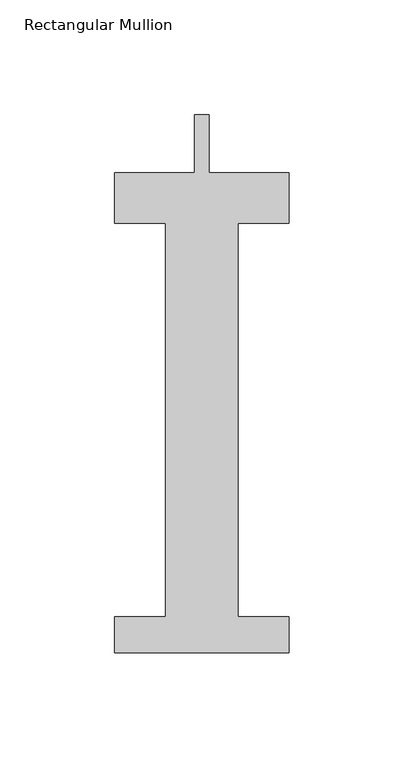
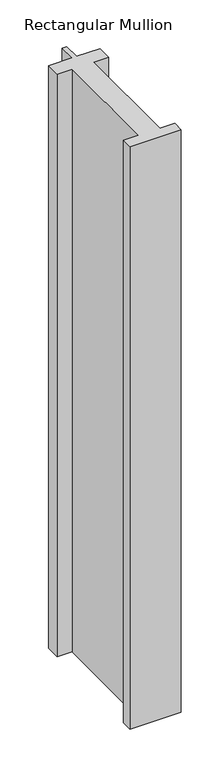
"""IFC4 building model written with IfcOpenShell, lengths in millimetres: member geometry, Rectangular Mullion."""

from ifc_helpers import new_model, si_unit, frame, origin, place, context, project, spatial, polyline, outline, extrude, source, transform, mapped, element, save


def rectangular_mullion_b63e8600(model_context):
    return source(origin(), model_context, "Body", "SweptSolid", [
        extrude(outline(polyline([(38.1, -221.996), (-38.1, -221.996), (-38.1, -206.121), (-15.875, -206.121), (-15.875, -34.671), (-38.1, -34.671), (-38.1, -12.7), (-3.175, -12.7), (-3.175, 12.7), (3.175, 12.7), (3.175, -12.7), (38.1, -12.7), (38.1, -34.671), (15.875, -34.671), (15.875, -206.121), (38.1, -206.121), (38.1, -221.996)])), frame((0.0, 0.0, -914.4), z_axis=(0.0, 0.0, 1.0), x_axis=(1.0, 0.0, 0.0)), (0.0, 0.0, 1.0), 914.4),
    ])


if __name__ == "__main__":
    model = new_model("IFC4")
    model_context = context("Model", 3, world=origin())
    ifc_project = project(units=[si_unit("LENGTHUNIT", "METRE", prefix="MILLI")], contexts=[model_context])
    site = spatial("IfcSite", under=ifc_project)
    building = spatial("IfcBuilding", under=site)
    placement = place(None, origin())
    rectangular_mullion_shape = rectangular_mullion_b63e8600(model_context)
    element("IfcMember", 1, ObjectType="Rectangular Mullion", at=placement, inside=building, context=model_context, shape_type="MappedRepresentation", body=[
        mapped(rectangular_mullion_shape, transform((0.0, 0.0, 0.0), x_axis=(1.0, 0.0, 0.0), y_axis=(0.0, 1.0, 0.0), z_axis=(0.0, 0.0, 1.0))),
    ])
    save(model, "model.ifc")
